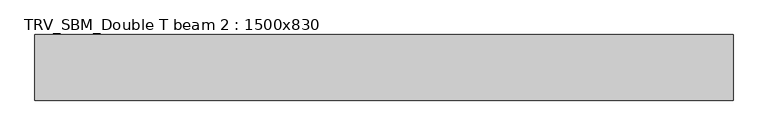
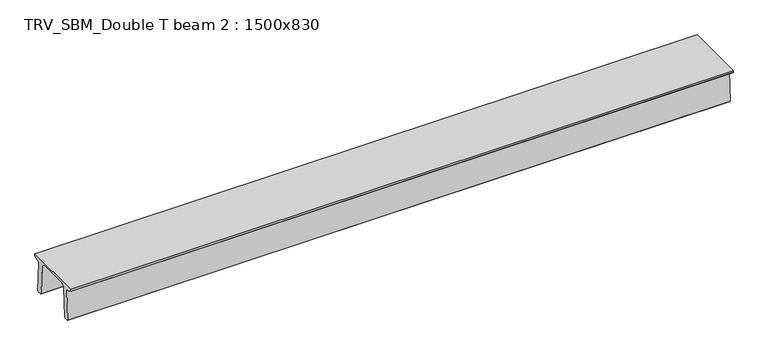
"""IFC4 building model written with IfcOpenShell, lengths in millimetres: beam geometry, TRV_SBM_Double T beam 2 : 1500x830."""

from ifc_helpers import new_model, si_unit, frame, origin, place, context, project, spatial, polyline, outline, extrude, source, transform, mapped, element, save


def trv_sbm_double_t_beam_2_1500x830_2e406483(model_context):
    return source(origin(), model_context, "Body", "SweptSolid", [
        extrude(outline(polyline([(337.4555014, 470.0), (-343.4555014, 470.0), (-456.5828437, 409.8491251), (-494.786332, -340.5206011), (-514.2657308, -360.0), (-604.2657308, -360.0), (-624.8277662, -339.4379646), (-586.9373878, 401.9654693), (-752.8511046, 468.9989621), (-753.0, 475.0), (-753.0, 520.0), (747.0, 520.0), (747.0, 475.0), (746.8511046, 468.9989621), (580.9373878, 401.9654693), (618.8277662, -339.4379646), (598.2657308, -360.0), (508.2657308, -360.0), (488.786332, -340.5206011), (450.5828437, 409.8491251), (337.4555014, 470.0)])), frame((-7982.5, 0.0, 0.0), z_axis=(1.0, 0.0, 0.0), x_axis=(0.0, 1.0, 0.0)), (0.0, 0.0, 1.0), 15965.0),
    ])


if __name__ == "__main__":
    model = new_model("IFC4")
    model_context = context("Model", 3, world=origin())
    ifc_project = project(units=[si_unit("LENGTHUNIT", "METRE", prefix="MILLI")], contexts=[model_context])
    site = spatial("IfcSite", under=ifc_project)
    building = spatial("IfcBuilding", under=site)
    placement = place(None, origin())
    trv_sbm_double_t_beam_2_1500x830_shape = trv_sbm_double_t_beam_2_1500x830_2e406483(model_context)
    element("IfcBeam", 1, ObjectType="TRV_SBM_Double T beam 2 : 1500x830", at=placement, inside=building, context=model_context, shape_type="MappedRepresentation", body=[
        mapped(trv_sbm_double_t_beam_2_1500x830_shape, transform((0.0, 0.0, 0.0), x_axis=(1.0, 0.0, 0.0), y_axis=(0.0, 1.0, 0.0), z_axis=(0.0, 0.0, 1.0))),
    ])
    save(model, "model.ifc")
